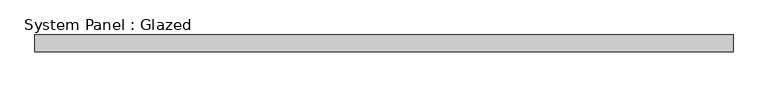
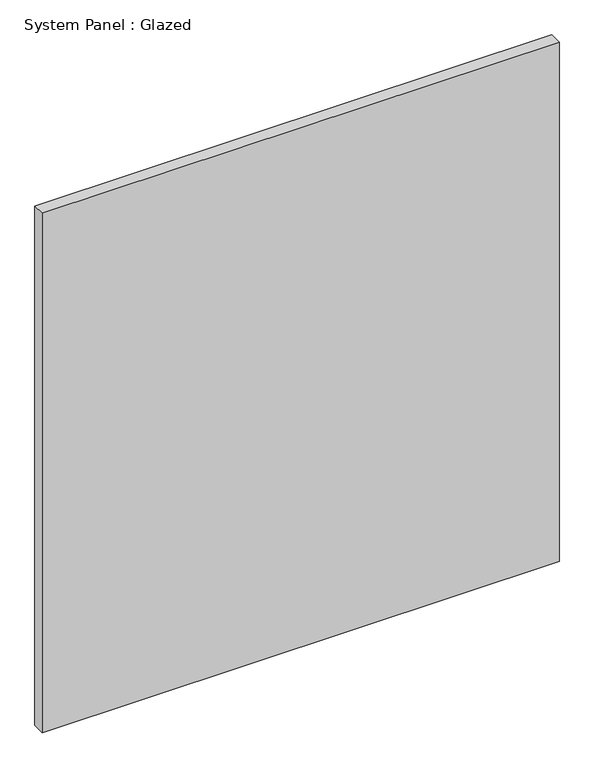
"""IFC4 building model written with IfcOpenShell, lengths in millimetres: plate geometry, System Panel : Glazed."""

from ifc_helpers import new_model, si_unit, origin, origin_with_axes, place, context, project, spatial, polyline, outline, extrude, source, transform, mapped, element, save


def system_panel_glazed_eb2f50b6(model_context):
    return source(origin(), model_context, "Body", "SweptSolid", [
        extrude(outline(polyline([(528.6375, -44.45), (-528.6375, -44.45), (-528.6375, -19.05), (528.6375, -19.05), (528.6375, -44.45)])), origin_with_axes(), (0.0, 0.0, 1.0), 1123.95),
    ])


if __name__ == "__main__":
    model = new_model("IFC4")
    model_context = context("Model", 3, world=origin())
    ifc_project = project(units=[si_unit("LENGTHUNIT", "METRE", prefix="MILLI")], contexts=[model_context])
    site = spatial("IfcSite", under=ifc_project)
    building = spatial("IfcBuilding", under=site)
    placement = place(None, origin())
    system_panel_glazed_shape = system_panel_glazed_eb2f50b6(model_context)
    element("IfcPlate", 1, ObjectType="System Panel : Glazed", at=placement, inside=building, context=model_context, shape_type="MappedRepresentation", body=[
        mapped(system_panel_glazed_shape, transform((0.0, 0.0, 0.0), x_axis=(1.0, 0.0, 0.0), y_axis=(0.0, 1.0, 0.0), z_axis=(0.0, 0.0, 1.0))),
    ])
    save(model, "model.ifc")
